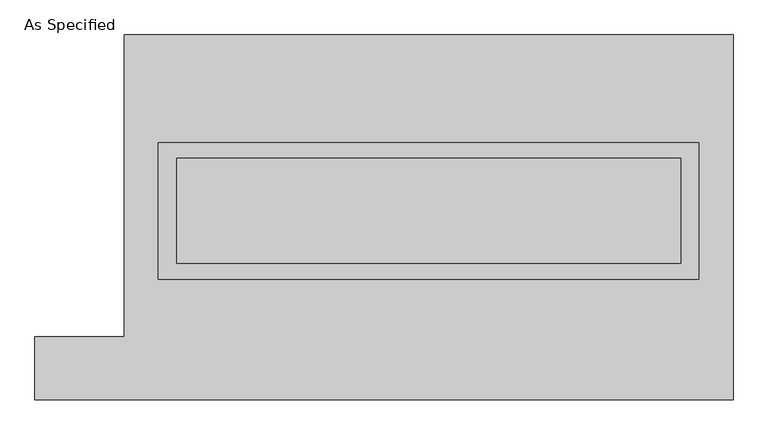
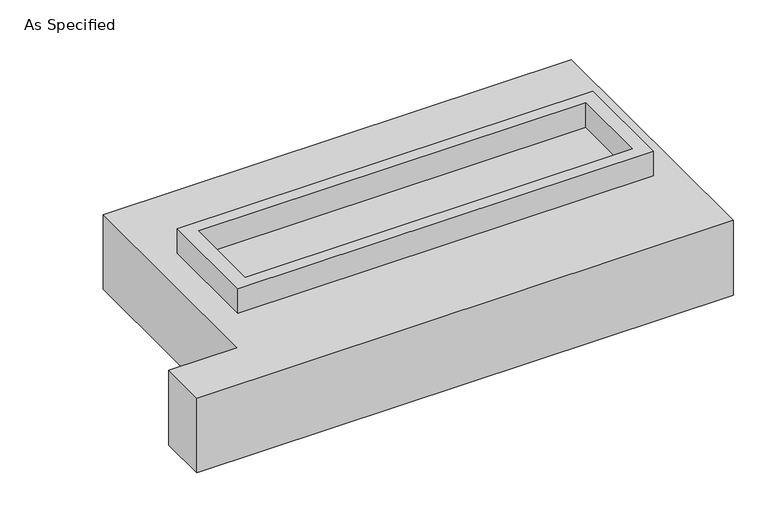
"""IFC4 building model written with IfcOpenShell, lengths in millimetres: proxy geometry, As Specified."""

from ifc_helpers import new_model, si_unit, frame, origin, place, context, project, spatial, polyline, outline, extrude, faceted_brep, source, transform, mapped, element, save


def as_specified_dd187558(model_context):
    return source(origin(), model_context, "Body", "SolidModel", [
        extrude(outline(polyline([(1308.1, 361.95), (1308.1, -298.45), (-1308.1, -298.45), (-1308.1, 361.95), (1308.1, 361.95)]), holes=[polyline([(1219.2, 285.75), (-1219.2, 285.75), (-1219.2, -222.25), (1219.2, -222.25), (1219.2, 285.75)])]), frame((0.0, 0.0, -25.4), z_axis=(0.0, 0.0, 1.0), x_axis=(1.0, 0.0, 0.0)), (0.0, 0.0, 1.0), 165.1),
        extrude(outline(polyline([(1219.2, 285.75), (1219.2, -222.25), (-1219.2, -222.25), (-1219.2, 285.75), (1219.2, 285.75)])), frame((0.0, 0.0, -30.3609375), z_axis=(0.0, 0.0, 1.0), x_axis=(1.0, 0.0, 0.0)), (0.0, 0.0, 1.0), 4.9609375),
        faceted_brep([(-1473.2, 882.65, -523.875), (1473.2, 882.65, -523.875), (1473.2, -882.65, -523.875), (-1905.0, -882.65, -523.875), (-1905.0, -577.85, -523.875), (-1473.2, -577.85, -523.875), (1473.2, 882.65, -25.4), (-1473.2, 882.65, -25.4), (-1473.2, -577.85, -25.4), (-1905.0, -577.85, -25.4), (-1905.0, -882.65, -25.4), (1473.2, -882.65, -25.4), (-1308.1, -298.45, -25.4), (-1308.1, 361.95, -25.4), (1308.1, 361.95, -25.4), (1308.1, -298.45, -25.4), (1308.1, 361.95, -498.475), (-1308.1, 361.95, -498.475), (-1308.1, -298.45, -498.475), (1308.1, -298.45, -498.475)], [[[0, 1, 2, 3, 4, 5]], [[6, 7, 8, 9, 10, 11], [12, 13, 14, 15]], [[1, 0, 7, 6]], [[7, 0, 5, 8]], [[1, 6, 11, 2]], [[16, 17, 18, 19]], [[18, 17, 13, 12]], [[17, 16, 14, 13]], [[16, 19, 15, 14]], [[12, 15, 19, 18]], [[3, 2, 11, 10]], [[5, 4, 9, 8]], [[4, 3, 10, 9]]]),
    ])


if __name__ == "__main__":
    model = new_model("IFC4")
    model_context = context("Model", 3, world=origin())
    ifc_project = project(units=[si_unit("LENGTHUNIT", "METRE", prefix="MILLI")], contexts=[model_context])
    site = spatial("IfcSite", under=ifc_project)
    building = spatial("IfcBuilding", under=site)
    placement = place(None, origin())
    as_specified_shape = as_specified_dd187558(model_context)
    element("IfcBuildingElementProxy", 1, Name="As Specified", ObjectType="As Specified", at=placement, inside=building, context=model_context, shape_type="MappedRepresentation", body=[
        mapped(as_specified_shape, transform((0.0, 0.0, 0.0), x_axis=(1.0, 0.0, 0.0), y_axis=(0.0, 1.0, 0.0), z_axis=(0.0, 0.0, 1.0))),
    ])
    save(model, "model.ifc")
